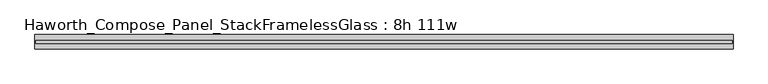
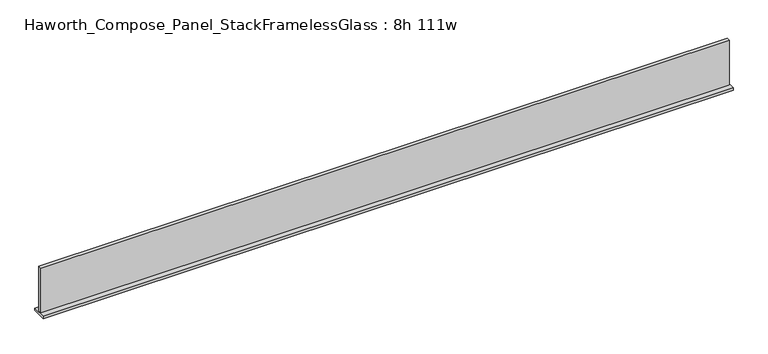
"""IFC4 building model written with IfcOpenShell, lengths in millimetres: furniture geometry, Haworth_Compose_Panel_StackFramelessGlass : 8h 111w."""

from ifc_helpers import new_model, si_unit, frame, origin, place, context, project, spatial, polyline, outline, extrude, source, transform, mapped, element, save


def haworth_compose_panel_stackframelessglass_8h_111w_0149bd9c(model_context):
    return source(origin(), model_context, "Body", "SweptSolid", [
        extrude(outline(polyline([(1408.9652902, -27.3093594), (-1404.0847098, -27.3093594), (-1404.0847098, -14.6093594), (1408.9652902, -14.6093594), (1408.9652902, -27.3093594)])), frame((0.0, 0.0, 1279.525), z_axis=(0.0, 0.0, 1.0), x_axis=(1.0, 0.0, 0.0)), (0.0, 0.0, 1.0), 193.675),
        extrude(outline(polyline([(-1407.2597098, -50.3281094), (-1407.2597098, 8.4093906), (1412.1402902, 8.4093906), (1412.1402902, -50.3281094), (-1407.2597098, -50.3281094)])), frame((0.0, 0.0, 1270.0), z_axis=(0.0, 0.0, 1.0), x_axis=(1.0, 0.0, 0.0)), (0.0, 0.0, 1.0), 9.525),
    ])


if __name__ == "__main__":
    model = new_model("IFC4")
    model_context = context("Model", 3, world=origin())
    ifc_project = project(units=[si_unit("LENGTHUNIT", "METRE", prefix="MILLI")], contexts=[model_context])
    site = spatial("IfcSite", under=ifc_project)
    building = spatial("IfcBuilding", under=site)
    placement = place(None, origin())
    haworth_compose_panel_stackframelessglass_8h_111w_shape = haworth_compose_panel_stackframelessglass_8h_111w_0149bd9c(model_context)
    element("IfcFurniture", 1, ObjectType="Haworth_Compose_Panel_StackFramelessGlass : 8h 111w", at=placement, inside=building, context=model_context, shape_type="MappedRepresentation", body=[
        mapped(haworth_compose_panel_stackframelessglass_8h_111w_shape, transform((0.0, 0.0, 0.0), x_axis=(1.0, 0.0, 0.0), y_axis=(0.0, 1.0, 0.0), z_axis=(0.0, 0.0, 1.0))),
    ])
    save(model, "model.ifc")
